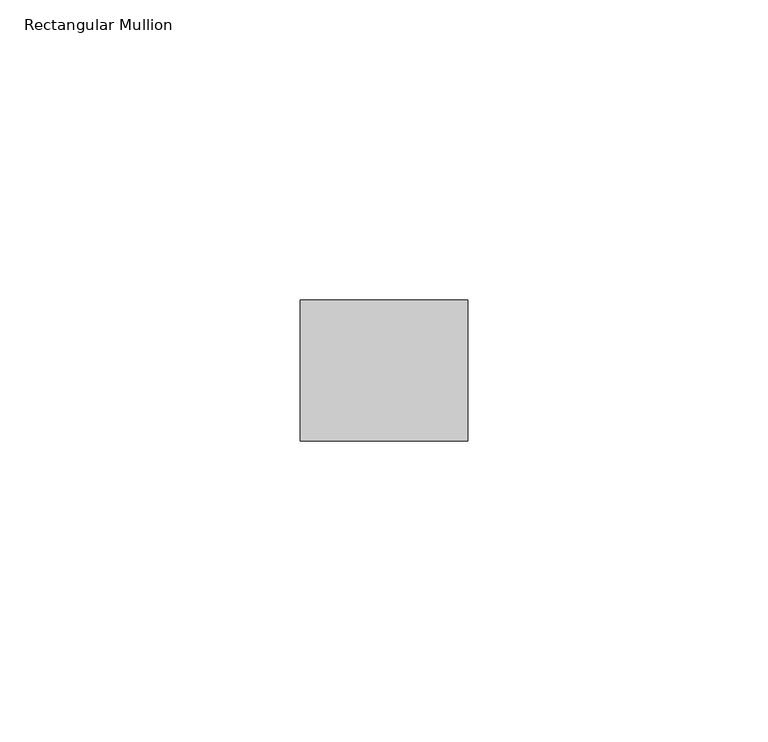
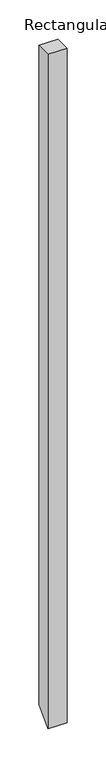
"""IFC4 building model written with IfcOpenShell, lengths in millimetres: member geometry, Rectangular Mullion."""

from ifc_helpers import new_model, si_unit, frame, origin, place, context, project, spatial, polyline, outline, extrude, source, transform, mapped, element, save


def rectangular_mullion_f4c70f44(model_context):
    return source(origin(), model_context, "Body", "SweptSolid", [
        extrude(outline(polyline([(-11.7474999, 0.0), (11.7474999, 0.0), (11.7474999, -1029.416134), (-11.7474999, -1052.9111338), (-11.7474999, 0.0)])), frame((-27.94, 0.0, 0.0), z_axis=(1.0, 0.0, 0.0), x_axis=(0.0, 1.0, 0.0)), (0.0, 0.0, 1.0), 27.94),
    ])


if __name__ == "__main__":
    model = new_model("IFC4")
    model_context = context("Model", 3, world=origin())
    ifc_project = project(units=[si_unit("LENGTHUNIT", "METRE", prefix="MILLI")], contexts=[model_context])
    site = spatial("IfcSite", under=ifc_project)
    building = spatial("IfcBuilding", under=site)
    placement = place(None, origin())
    rectangular_mullion_shape = rectangular_mullion_f4c70f44(model_context)
    element("IfcMember", 1, ObjectType="Rectangular Mullion", at=placement, inside=building, context=model_context, shape_type="MappedRepresentation", body=[
        mapped(rectangular_mullion_shape, transform((0.0, 0.0, 0.0), x_axis=(1.0, 0.0, 0.0), y_axis=(0.0, 1.0, 0.0), z_axis=(0.0, 0.0, 1.0))),
    ])
    save(model, "model.ifc")
